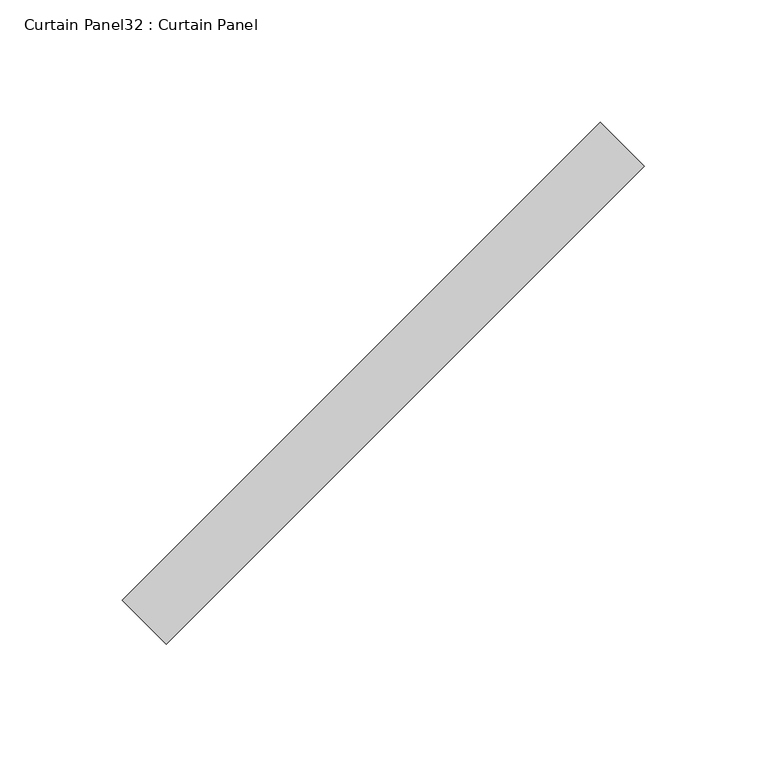
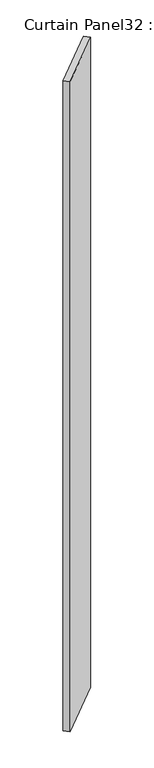
"""IFC4 building model written with IfcOpenShell, lengths in millimetres: plate geometry, Curtain Panel32 : Curtain Panel."""

from ifc_helpers import new_model, si_unit, frame, origin, place, context, project, spatial, polyline, outline, extrude, source, transform, mapped, element, save


def curtain_panel32_curtain_panel_8ef6a9cd(model_context):
    return source(origin(), model_context, "Body", "SweptSolid", [
        extrude(outline(polyline([(78736.6197242, 2788.3096194), (78541.2992336, 2592.9891288), (78523.3387214, 2610.9496411), (78718.6592119, 2806.2701317), (78736.6197242, 2788.3096194)])), frame((0.0, 0.0, -687.1377978), z_axis=(0.0, 0.0, 1.0), x_axis=(1.0, 0.0, 0.0)), (0.0, 0.0, 1.0), 2743.2),
    ])


if __name__ == "__main__":
    model = new_model("IFC4")
    model_context = context("Model", 3, world=origin())
    ifc_project = project(units=[si_unit("LENGTHUNIT", "METRE", prefix="MILLI")], contexts=[model_context])
    site = spatial("IfcSite", under=ifc_project)
    building = spatial("IfcBuilding", under=site)
    placement = place(None, origin())
    curtain_panel32_curtain_panel_shape = curtain_panel32_curtain_panel_8ef6a9cd(model_context)
    element("IfcPlate", 1, ObjectType="Curtain Panel32 : Curtain Panel", at=placement, inside=building, context=model_context, shape_type="MappedRepresentation", body=[
        mapped(curtain_panel32_curtain_panel_shape, transform((0.0, 0.0, 0.0), x_axis=(1.0, 0.0, 0.0), y_axis=(0.0, 1.0, 0.0), z_axis=(0.0, 0.0, 1.0))),
    ])
    save(model, "model.ifc")
